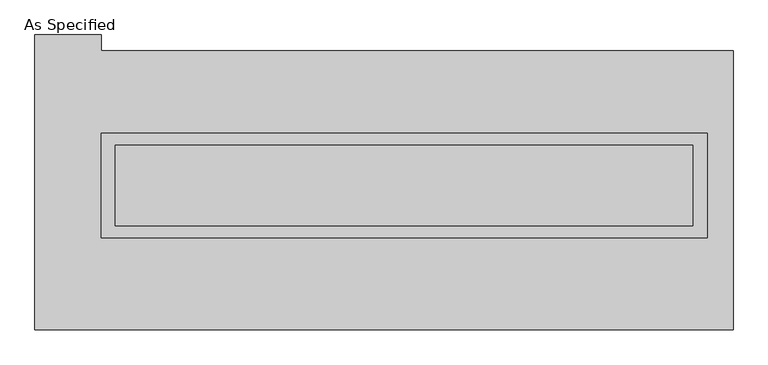
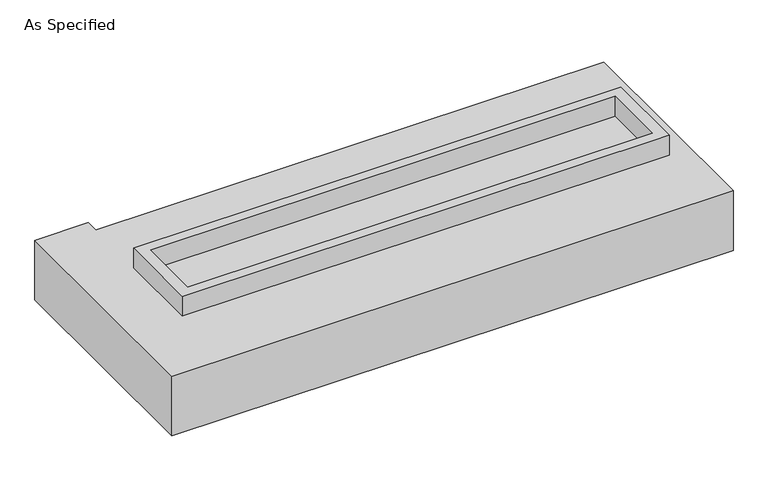
"""IFC4 building model written with IfcOpenShell, lengths in millimetres: proxy geometry, As Specified."""

from ifc_helpers import new_model, si_unit, frame, origin, place, context, project, spatial, polyline, outline, extrude, source, transform, mapped, element, save


def as_specified_a56e41bc(model_context):
    return source(origin(), model_context, "Body", "SweptSolid", [
        extrude(outline(polyline([(1917.7, 361.95), (1917.7, -298.45), (-1917.7, -298.45), (-1917.7, 361.95), (1917.7, 361.95)]), holes=[polyline([(1828.8, 285.75), (-1828.8, 285.75), (-1828.8, -222.25), (1828.8, -222.25), (1828.8, 285.75)])]), frame((0.0, 0.0, -688.975), z_axis=(0.0, 0.0, 1.0), x_axis=(1.0, 0.0, 0.0)), (0.0, 0.0, 1.0), 165.1),
        extrude(outline(polyline([(1917.7, 361.95), (1917.7, -298.45), (-1917.7, -298.45), (-1917.7, 361.95), (1917.7, 361.95)]), holes=[polyline([(1828.8, 285.75), (-1828.8, 285.75), (-1828.8, -222.25), (1828.8, -222.25), (1828.8, 285.75)])]), frame((0.0, 0.0, -25.4), z_axis=(0.0, 0.0, 1.0), x_axis=(1.0, 0.0, 0.0)), (0.0, 0.0, 1.0), 165.1),
        extrude(outline(polyline([(1828.8, 285.75), (1828.8, -222.25), (-1828.8, -222.25), (-1828.8, 285.75), (1828.8, 285.75)])), frame((0.0, 0.0, -523.875), z_axis=(0.0, 0.0, 1.0), x_axis=(1.0, 0.0, 0.0)), (0.0, 0.0, 1.0), 4.9609375),
        extrude(outline(polyline([(1828.8, 285.75), (1828.8, -222.25), (-1828.8, -222.25), (-1828.8, 285.75), (1828.8, 285.75)])), frame((0.0, 0.0, -30.3609375), z_axis=(0.0, 0.0, 1.0), x_axis=(1.0, 0.0, 0.0)), (0.0, 0.0, 1.0), 4.9609375),
        extrude(outline(polyline([(2082.8, -882.65), (-2336.8, -882.65), (-2336.8, 984.25), (-1917.7, 984.25), (-1917.7, 882.65), (2082.8, 882.65), (2082.8, -882.65)]), holes=[polyline([(-1917.7, 361.95), (-1917.7, -298.45), (1917.7, -298.45), (1917.7, 361.95), (-1917.7, 361.95)])]), frame((0.0, 0.0, -523.875), z_axis=(0.0, 0.0, 1.0), x_axis=(1.0, 0.0, 0.0)), (0.0, 0.0, 1.0), 498.475),
    ])


if __name__ == "__main__":
    model = new_model("IFC4")
    model_context = context("Model", 3, world=origin())
    ifc_project = project(units=[si_unit("LENGTHUNIT", "METRE", prefix="MILLI")], contexts=[model_context])
    site = spatial("IfcSite", under=ifc_project)
    building = spatial("IfcBuilding", under=site)
    placement = place(None, origin())
    as_specified_shape = as_specified_a56e41bc(model_context)
    element("IfcBuildingElementProxy", 1, Name="As Specified", ObjectType="As Specified", at=placement, inside=building, context=model_context, shape_type="MappedRepresentation", body=[
        mapped(as_specified_shape, transform((0.0, 0.0, 0.0), x_axis=(1.0, 0.0, 0.0), y_axis=(0.0, 1.0, 0.0), z_axis=(0.0, 0.0, 1.0))),
    ])
    save(model, "model.ifc")
